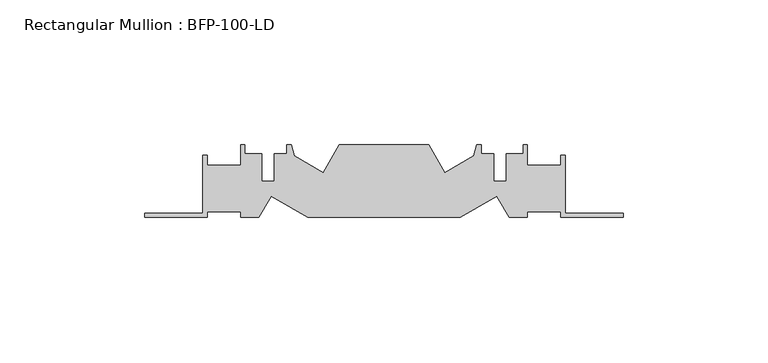
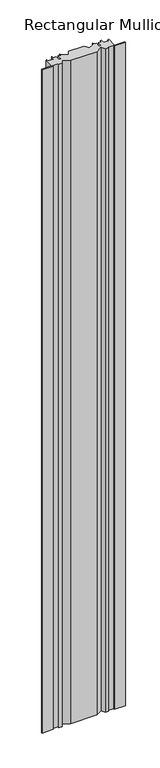
"""IFC4 building model written with IfcOpenShell, lengths in millimetres: member geometry, Rectangular Mullion : BFP-100-LD."""

from ifc_helpers import new_model, si_unit, frame, origin, place, context, project, spatial, polyline, outline, extrude, source, transform, mapped, element, save


def rectangular_mullion_bfp_100_ld_c6ecfb96(model_context):
    return source(origin(), model_context, "Body", "SweptSolid", [
        extrude(outline(polyline([(-43.5209983, 27.3331761), (-56.2224319, 20.0), (-108.7775681, 20.0), (-121.4790017, 27.3331761), (-125.7128129, 20.0), (-132.0, 20.0), (-132.0, 22.0), (-143.5, 22.0), (-143.5, 20.0), (-165.0, 20.0), (-165.0, 21.5), (-145.0, 21.5), (-145.0, 41.5), (-143.5, 41.5), (-143.5, 38.0), (-132.0, 38.0), (-132.0, 45.0), (-130.5, 45.0), (-130.5, 42.0), (-124.6, 42.0), (-124.6, 32.4), (-120.4, 32.4), (-120.4, 42.0), (-116.0, 42.0), (-116.0, 45.0), (-114.5, 45.0), (-113.4790017, 41.1895826), (-103.5197096, 35.4395826), (-98.0, 45.0), (-67.0, 45.0), (-61.4802904, 35.4395826), (-51.5209983, 41.1895826), (-50.5, 45.0), (-49.0, 45.0), (-49.0, 42.0), (-44.6, 42.0), (-44.6, 32.4), (-40.4, 32.4), (-40.4, 42.0), (-34.5, 42.0), (-34.5, 45.0), (-33.0, 45.0), (-33.0, 38.0), (-21.5, 38.0), (-21.5, 41.5), (-20.0, 41.5), (-20.0, 21.5), (0.0, 21.5), (0.0, 20.0), (-21.5, 20.0), (-21.5, 22.0), (-33.0, 22.0), (-33.0, 20.0), (-39.2871871, 20.0), (-43.5209983, 27.3331761)])), frame((0.0, 0.0, -1389.0), z_axis=(0.0, 0.0, 1.0), x_axis=(1.0, 0.0, 0.0)), (0.0, 0.0, 1.0), 1389.0),
    ])


if __name__ == "__main__":
    model = new_model("IFC4")
    model_context = context("Model", 3, world=origin())
    ifc_project = project(units=[si_unit("LENGTHUNIT", "METRE", prefix="MILLI")], contexts=[model_context])
    site = spatial("IfcSite", under=ifc_project)
    building = spatial("IfcBuilding", under=site)
    placement = place(None, origin())
    rectangular_mullion_bfp_100_ld_shape = rectangular_mullion_bfp_100_ld_c6ecfb96(model_context)
    element("IfcMember", 1, ObjectType="Rectangular Mullion : BFP-100-LD", at=placement, inside=building, context=model_context, shape_type="MappedRepresentation", body=[
        mapped(rectangular_mullion_bfp_100_ld_shape, transform((0.0, 0.0, 0.0), x_axis=(1.0, 0.0, 0.0), y_axis=(0.0, 1.0, 0.0), z_axis=(0.0, 0.0, 1.0))),
    ])
    save(model, "model.ifc")
